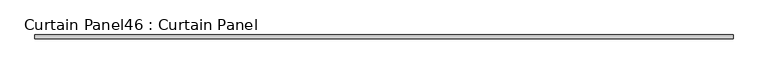
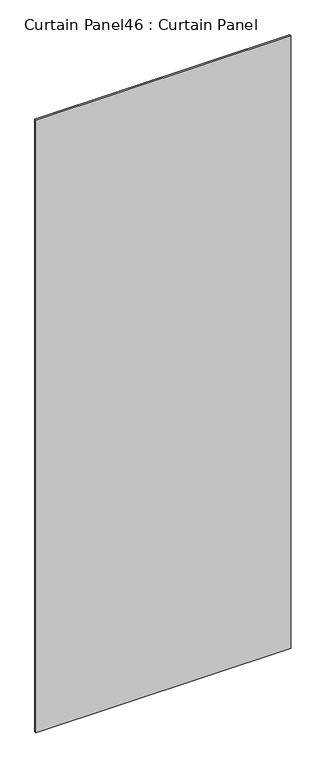
"""IFC4 building model written with IfcOpenShell, lengths in millimetres: plate geometry, Curtain Panel46 : Curtain Panel."""

import ifcopenshell
import ifcopenshell.guid

model = None  # the IFC model being written
_history = None  # IfcOwnerHistory: only IFC2X3 demands one
_inside = {}  # id of a spatial element -> (the spatial element, [elements in it])
_under = {}  # id of a project, library or spatial element -> (it, [spatial elements below it])
_declared = {}  # id of a project -> (the project, [libraries it declares])
_typed = {}  # id of a type object -> (the type object, [elements of that type])
_made_of = {}  # id of a material, layer set ... -> (it, [elements and type objects made of it])


def new_model(schema):
    """Start an empty IFC model of exactly this schema.

    Asked for "IFC4X3", IfcOpenShell would pick the latest addendum, in which some entities
    have other attributes; the version numbers below select the first issue.
    IFC2X3 requires an IfcOwnerHistory on every rooted entity: one is made here for all.
    """
    global model, _history
    if schema == "IFC4X3":
        model = ifcopenshell.file(schema_version=(4, 3, 0, 0))
    else:
        model = ifcopenshell.file(schema=schema)
    _inside.clear()
    _under.clear()
    _declared.clear()
    _typed.clear()
    _made_of.clear()
    _history = None
    if model.schema == "IFC2X3":
        org = make("IfcOrganization", Name="unknown")
        user = make(
            "IfcPersonAndOrganization",
            ThePerson=make("IfcPerson", FamilyName="unknown"),
            TheOrganization=org,
        )
        app = make(
            "IfcApplication",
            ApplicationDeveloper=org,
            Version="unknown",
            ApplicationFullName="unknown",
            ApplicationIdentifier="unknown",
        )
        _history = make(
            "IfcOwnerHistory",
            OwningUser=user,
            OwningApplication=app,
            ChangeAction="ADDED",
            CreationDate=0,
        )
    return model


def make(cls, **values):
    """One entity of the class cls with the attributes given. An attribute that is None is left unset."""
    return model.create_entity(
        cls, **{name: value for name, value in values.items() if value is not None}
    )


def rooted(cls, **values):
    """An entity with a GlobalId (a new one), such as an element, a storey or a relation."""
    return make(cls, GlobalId=ifcopenshell.guid.new(), OwnerHistory=_history, **values)


def si_unit(unit_type, name, prefix=None):
    """IfcSIUnit, for example si_unit("LENGTHUNIT", "METRE", prefix="MILLI")."""
    return make("IfcSIUnit", UnitType=unit_type, Prefix=prefix, Name=name)


def assignment(units):
    """IfcUnitAssignment: the units of a project."""
    return None if units is None else make("IfcUnitAssignment", Units=units)


def point(xyz):
    """IfcCartesianPoint."""
    return None if xyz is None else make("IfcCartesianPoint", Coordinates=xyz)


def direction(xyz):
    """IfcDirection."""
    return None if xyz is None else make("IfcDirection", DirectionRatios=xyz)


def frame(location, z_axis=None, x_axis=None):
    """IfcAxis2Placement3D, a coordinate frame: its origin and axes. An axis left out is left unset."""
    return make(
        "IfcAxis2Placement3D",
        Location=point(location),
        Axis=direction(z_axis),
        RefDirection=direction(x_axis),
    )


def origin():
    """The frame at (0, 0, 0) with its axes left unset."""
    return frame((0.0, 0.0, 0.0))


def place(relative_to, where):
    """IfcLocalPlacement: puts the frame where relative to a parent placement (None: the world)."""
    return make(
        "IfcLocalPlacement", PlacementRelTo=relative_to, RelativePlacement=where
    )


def context(
    kind, dimensions, precision=None, world=None, true_north=None, identifier=None
):
    """IfcGeometricRepresentationContext, for example the 3D "Model" context."""
    return make(
        "IfcGeometricRepresentationContext",
        ContextIdentifier=identifier,
        ContextType=kind,
        CoordinateSpaceDimension=dimensions,
        Precision=precision,
        WorldCoordinateSystem=world,
        TrueNorth=true_north,
    )


def project(units=None, contexts=None):
    """IfcProject with its units and contexts."""
    return rooted(
        "IfcProject",
        Name="project",
        RepresentationContexts=contexts,
        UnitsInContext=assignment(units),
    )


def spatial(cls, under=None, at=None, **own):
    """A site, building, storey or space (cls), placed at a placement, below another one or the project."""
    s = rooted(cls, ObjectPlacement=at, **own)
    if under is not None:
        _under.setdefault(under.id(), (under, []))[1].append(s)
    return s


def polyline(points):
    """IfcPolyline through the points."""
    return make("IfcPolyline", Points=[point(p) for p in points])


def outline(outer, holes=None, kind="AREA"):
    """IfcArbitraryClosedProfileDef: a profile drawn as a closed curve; with holes, ...WithVoids."""
    if holes is None:
        return make("IfcArbitraryClosedProfileDef", ProfileType=kind, OuterCurve=outer)
    return make(
        "IfcArbitraryProfileDefWithVoids",
        ProfileType=kind,
        OuterCurve=outer,
        InnerCurves=holes,
    )


def extrude(swept, where, along, depth):
    """IfcExtrudedAreaSolid: the profile swept, set in the frame where, extruded along a direction by depth."""
    return make(
        "IfcExtrudedAreaSolid",
        SweptArea=swept,
        Position=where,
        ExtrudedDirection=direction(along),
        Depth=depth,
    )


def shape(context_of_items, identifier, shape_type, items):
    """IfcShapeRepresentation: the items that make up one representation, for example the "Body"."""
    return make(
        "IfcShapeRepresentation",
        ContextOfItems=context_of_items,
        RepresentationIdentifier=identifier,
        RepresentationType=shape_type,
        Items=items,
    )


def source(mapping_origin, context_of_items, identifier, shape_type, items):
    """IfcRepresentationMap: a shape defined once, which mapped items show again and again."""
    return make(
        "IfcRepresentationMap",
        MappingOrigin=mapping_origin,
        MappedRepresentation=shape(context_of_items, identifier, shape_type, items),
    )


def transform(
    local_origin,
    x_axis=None,
    y_axis=None,
    z_axis=None,
    scale=None,
    scale2=None,
    scale3=None,
    uniform=True,
):
    """IfcCartesianTransformationOperator3D, or its non-uniform kind. x_axis, y_axis, z_axis: its Axis1, 2, 3."""
    if uniform:
        return make(
            "IfcCartesianTransformationOperator3D",
            Axis1=direction(x_axis),
            Axis2=direction(y_axis),
            LocalOrigin=point(local_origin),
            Scale=scale,
            Axis3=direction(z_axis),
        )
    return make(
        "IfcCartesianTransformationOperator3DnonUniform",
        Axis1=direction(x_axis),
        Axis2=direction(y_axis),
        LocalOrigin=point(local_origin),
        Scale=scale,
        Axis3=direction(z_axis),
        Scale2=scale2,
        Scale3=scale3,
    )


def mapped(mapping_source, mapping_target):
    """IfcMappedItem: shows the shape of a source again, moved by a transform."""
    return make(
        "IfcMappedItem", MappingSource=mapping_source, MappingTarget=mapping_target
    )


def made_of(thing, what):
    """Note that an element or type object is made of a material, layer set ...; save() writes the relation."""
    if what is not None:
        _made_of.setdefault(what.id(), (what, []))[1].append(thing)
    return thing


def element(
    cls,
    number,
    at=None,
    inside=None,
    cuts=None,
    type_object=None,
    material=None,
    context=None,
    identifier="Body",
    shape_type=None,
    held_by="IfcProductDefinitionShape",
    body=None,
    shapes=None,
    **own,
):
    """One element of the class cls, such as IfcWall. Its Tag is "e" and its number.

    at: its placement. inside: the storey or other place that contains it. cuts: it is an
    opening in that element (IfcRelVoidsElement). A single representation is given by context,
    identifier, shape_type and body (its items); several are given by shapes. held_by: the class
    of the entity that holds the representations. save() writes the other relations.
    """
    e = rooted(cls, Tag="e%d" % number, ObjectPlacement=at, **own)
    if body is not None:
        shapes = [shape(context, identifier, shape_type, body)]
    if shapes is not None:
        e.Representation = make(held_by, Representations=shapes)
    if inside is not None:
        _inside.setdefault(inside.id(), (inside, []))[1].append(e)
    if cuts is not None:
        rooted(
            "IfcRelVoidsElement", RelatingBuildingElement=cuts, RelatedOpeningElement=e
        )
    if type_object is not None:
        _typed.setdefault(type_object.id(), (type_object, []))[1].append(e)
    return made_of(e, material)


def aggregate(whole, parts):
    """IfcRelAggregates: a whole, such as a stair, and the parts it consists of."""
    return rooted("IfcRelAggregates", RelatingObject=whole, RelatedObjects=parts)


def save(model, path):
    """Write the relations noted so far, then the file.

    IfcRelAggregates (storeys below a building ...), IfcRelContainedInSpatialStructure (elements
    in a storey), IfcRelDefinesByType, IfcRelAssociatesMaterial and IfcRelDeclares: one each for
    every whole, place, type object, material and project.
    """
    for whole, parts in _under.values():
        aggregate(whole, parts)
    for where, things in _inside.values():
        rooted(
            "IfcRelContainedInSpatialStructure",
            RelatedElements=things,
            RelatingStructure=where,
        )
    for kind, things in _typed.values():
        rooted("IfcRelDefinesByType", RelatedObjects=things, RelatingType=kind)
    for what, things in _made_of.values():
        rooted("IfcRelAssociatesMaterial", RelatedObjects=things, RelatingMaterial=what)
    for by, libraries in _declared.values():
        rooted("IfcRelDeclares", RelatingContext=by, RelatedDefinitions=libraries)
    model.write(path)


def curtain_panel46_curtain_panel_e3f59336(model_context):
    return source(origin(), model_context, "Body", "SweptSolid", [
        extrude(outline(polyline([(-14597.8905908, 9724.7124625), (-15747.3739135, 9724.7124625), (-15747.3739135, 9731.0624625), (-14597.8905908, 9731.0624625), (-14597.8905908, 9724.7124625)])), frame((0.0, 0.0, 63.5), z_axis=(0.0, 0.0, 1.0), x_axis=(1.0, 0.0, 0.0)), (0.0, 0.0, 1.0), 2921.0),
    ])


if __name__ == "__main__":
    model = new_model("IFC4")
    model_context = context("Model", 3, world=origin())
    ifc_project = project(units=[si_unit("LENGTHUNIT", "METRE", prefix="MILLI")], contexts=[model_context])
    site = spatial("IfcSite", under=ifc_project)
    building = spatial("IfcBuilding", under=site)
    placement = place(None, origin())
    curtain_panel46_curtain_panel_shape = curtain_panel46_curtain_panel_e3f59336(model_context)
    element("IfcPlate", 1, ObjectType="Curtain Panel46 : Curtain Panel", at=placement, inside=building, context=model_context, shape_type="MappedRepresentation", body=[
        mapped(curtain_panel46_curtain_panel_shape, transform((0.0, 0.0, 0.0), x_axis=(1.0, 0.0, 0.0), y_axis=(0.0, 1.0, 0.0), z_axis=(0.0, 0.0, 1.0))),
    ])
    save(model, "model.ifc")
